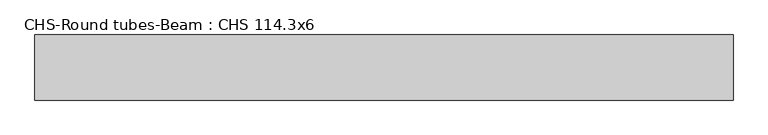
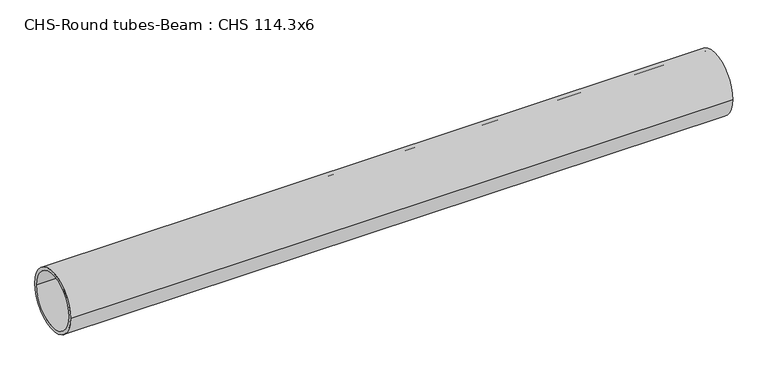
"""IFC4 building model written with IfcOpenShell, lengths in millimetres: beam geometry, CHS-Round tubes-Beam : CHS 114.3x6."""

from ifc_helpers import new_model, si_unit, point, frame, origin, origin_2d, place, context, project, spatial, circle_curve, trimmed, segment, composite_curve, outline, extrude, source, transform, mapped, element, save


def chs_round_tubes_beam_chs_114_3x6_946cb798(model_context):
    return source(origin(), model_context, "Body", "SweptSolid", [
        extrude(outline(composite_curve([segment(trimmed(circle_curve(origin_2d(), 57.15), [point((57.15, 0.0))], [point((-57.15, 0.0))], False, "CARTESIAN"), True, "CONTINUOUS"), segment(trimmed(circle_curve(origin_2d(), 57.15), [point((-57.15, 0.0))], [point((57.15, 0.0))], False, "CARTESIAN"), True, "CONTINUOUS")], self_intersect=False), holes=[composite_curve([segment(trimmed(circle_curve(origin_2d(), 51.15), [point((51.15, 0.0))], [point((-51.15, 0.0))], True, "CARTESIAN"), True, "CONTINUOUS"), segment(trimmed(circle_curve(origin_2d(), 51.15), [point((-51.15, 0.0))], [point((51.15, 0.0))], True, "CARTESIAN"), True, "CONTINUOUS")], self_intersect=False)]), frame((-614.0086398, 0.0, 0.0), z_axis=(1.0, 0.0, 0.0), x_axis=(0.0, 1.0, 0.0)), (0.0, 0.0, 1.0), 1224.9816931),
    ])


if __name__ == "__main__":
    model = new_model("IFC4")
    model_context = context("Model", 3, world=origin())
    ifc_project = project(units=[si_unit("LENGTHUNIT", "METRE", prefix="MILLI")], contexts=[model_context])
    site = spatial("IfcSite", under=ifc_project)
    building = spatial("IfcBuilding", under=site)
    placement = place(None, origin())
    chs_round_tubes_beam_chs_114_3x6_shape = chs_round_tubes_beam_chs_114_3x6_946cb798(model_context)
    element("IfcBeam", 1, ObjectType="CHS-Round tubes-Beam : CHS 114.3x6", at=placement, inside=building, context=model_context, shape_type="MappedRepresentation", body=[
        mapped(chs_round_tubes_beam_chs_114_3x6_shape, transform((0.0, 0.0, 0.0), x_axis=(1.0, 0.0, 0.0), y_axis=(0.0, 1.0, 0.0), z_axis=(0.0, 0.0, 1.0))),
    ])
    save(model, "model.ifc")
